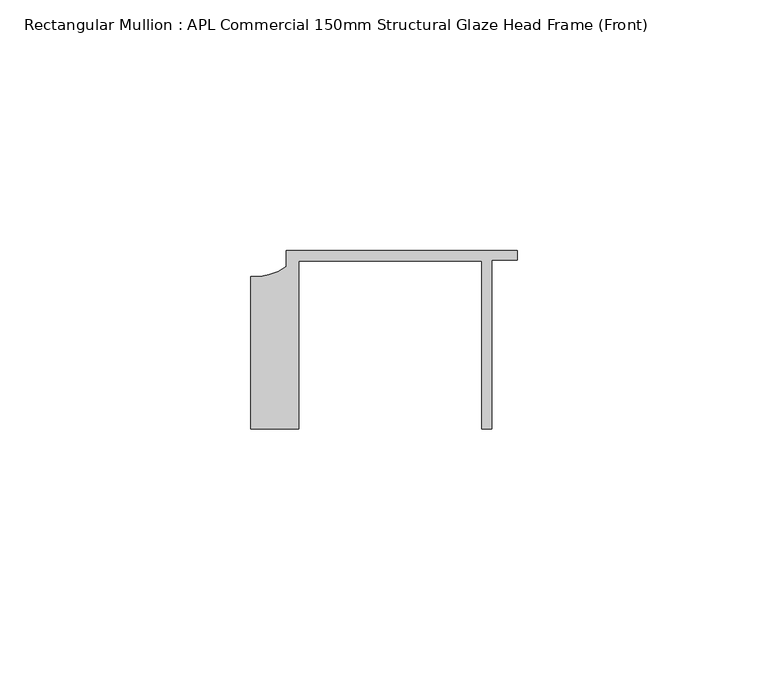
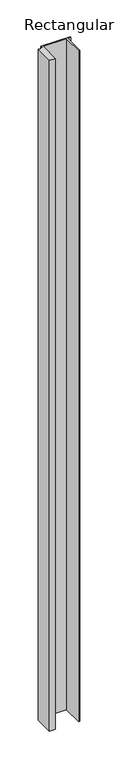
"""IFC4 building model written with IfcOpenShell, lengths in millimetres: member geometry, Rectangular Mullion : APL Commercial 150mm Structural Glaze Head Frame (Front)."""

from ifc_helpers import new_model, si_unit, point, frame, frame_2d, origin, place, context, project, spatial, polyline, circle_curve, trimmed, segment, composite_curve, outline, extrude, source, transform, mapped, element, save


def rectangular_mullion_apl_commercial_150mm_structural_glaze_c80e54d6(model_context):
    return source(origin(), model_context, "Body", "SweptSolid", [
        extrude(outline(composite_curve([segment(polyline([(-52.9999542, -15.0), (-52.9999542, 15.3798304)]), True, "CONTINUOUS"), segment(trimmed(circle_curve(frame_2d((-52.109817, 25.7982641)), 10.4563907), [point((-52.9999542, 15.3798304))], [point((-45.9999994, 17.3126154))], True, "CARTESIAN"), True, "CONTINUOUS"), segment(polyline([(-45.9999994, 17.3126154), (-45.9999994, 20.5002486), (0.0, 20.5002486), (0.0, 18.7002486), (-5.0, 18.7002486), (-5.0, -15.0), (-7.0, -15.0), (-7.0, 18.5002486), (-43.5000151, 18.5002486), (-43.5000151, -15.0), (-52.9999542, -15.0)]), True, "CONTINUOUS")], self_intersect=False)), frame((0.0, 0.0, -1121.6386747), z_axis=(0.0, 0.0, 1.0), x_axis=(1.0, 0.0, 0.0)), (0.0, 0.0, 1.0), 1121.6386747),
    ])


if __name__ == "__main__":
    model = new_model("IFC4")
    model_context = context("Model", 3, world=origin())
    ifc_project = project(units=[si_unit("LENGTHUNIT", "METRE", prefix="MILLI")], contexts=[model_context])
    site = spatial("IfcSite", under=ifc_project)
    building = spatial("IfcBuilding", under=site)
    placement = place(None, origin())
    rectangular_mullion_apl_commercial_150mm_structural_glaze_shape = rectangular_mullion_apl_commercial_150mm_structural_glaze_c80e54d6(model_context)
    element("IfcMember", 1, ObjectType="Rectangular Mullion : APL Commercial 150mm Structural Glaze Head Frame (Front)", at=placement, inside=building, context=model_context, shape_type="MappedRepresentation", body=[
        mapped(rectangular_mullion_apl_commercial_150mm_structural_glaze_shape, transform((0.0, 0.0, 0.0), x_axis=(1.0, 0.0, 0.0), y_axis=(0.0, 1.0, 0.0), z_axis=(0.0, 0.0, 1.0))),
    ])
    save(model, "model.ifc")
